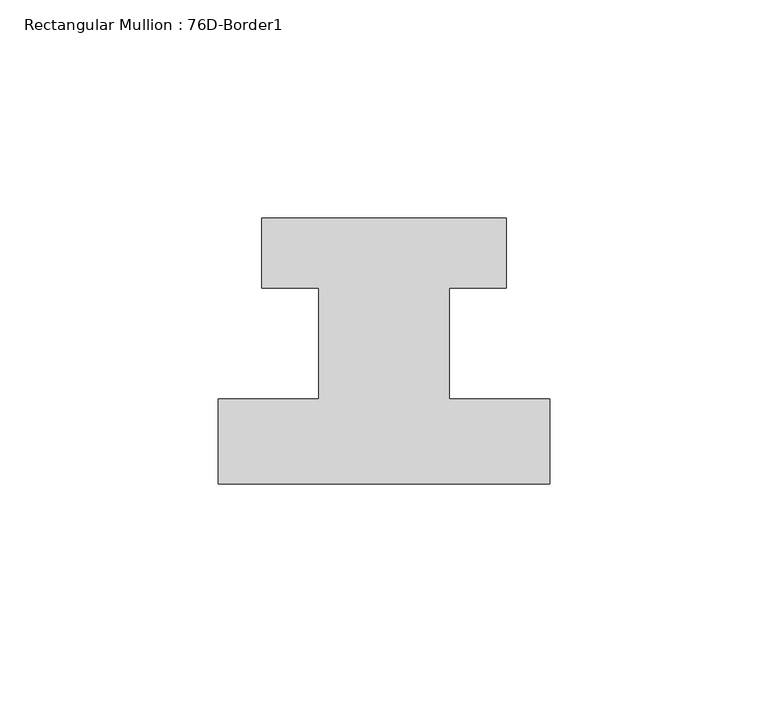
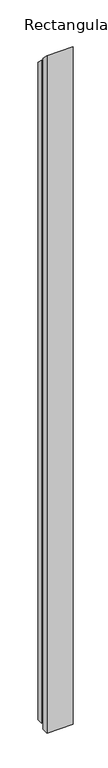
"""IFC4 building model written with IfcOpenShell, lengths in millimetres: member geometry, Rectangular Mullion : 76D-Border1."""

from ifc_helpers import new_model, si_unit, origin, place, context, project, spatial, faceted_brep, source, transform, mapped, element, save


def rectangular_mullion_76d_border1_745ee5e6(model_context):
    return source(origin(), model_context, "Body", "Brep", [
        faceted_brep([(-76.0, -20.0, -2062.0), (-76.0, -0.5, -2062.0), (-53.0, -0.5, -2062.0), (-53.0, 25.0, -2062.0), (-66.0, 25.0, -2062.0), (-66.0, 41.0, -2062.0), (-10.0, 41.0, -2062.0), (-10.0, 25.0, -2062.0), (-23.0, 25.0, -2062.0), (-23.0, -0.5, -2062.0), (0.0, -0.5, -2062.0), (0.0, -20.0, -2062.0), (0.0, -20.0, 20.0), (-76.0, -20.0, 20.0), (0.0, -0.5, 0.5), (-23.0, -0.5, 0.5), (-23.0, 25.0, -25.0), (-10.0, 25.0, -25.0), (-10.0, 41.0, -41.0), (-66.0, 41.0, -41.0), (-66.0, 25.0, -25.0), (-53.0, 25.0, -25.0), (-53.0, -0.5, 0.5), (-76.0, -0.5, 0.5)], [[[0, 1, 2, 3, 4, 5, 6, 7, 8, 9, 10, 11]], [[12, 13, 0, 11]], [[14, 12, 11, 10]], [[15, 14, 10, 9]], [[16, 15, 9, 8]], [[17, 16, 8, 7]], [[18, 17, 7, 6]], [[19, 18, 6, 5]], [[20, 19, 5, 4]], [[21, 20, 4, 3]], [[22, 21, 3, 2]], [[23, 22, 2, 1]], [[13, 23, 1, 0]], [[13, 12, 14, 15, 16, 17, 18, 19, 20, 21, 22, 23]]]),
    ])


if __name__ == "__main__":
    model = new_model("IFC4")
    model_context = context("Model", 3, world=origin())
    ifc_project = project(units=[si_unit("LENGTHUNIT", "METRE", prefix="MILLI")], contexts=[model_context])
    site = spatial("IfcSite", under=ifc_project)
    building = spatial("IfcBuilding", under=site)
    placement = place(None, origin())
    rectangular_mullion_76d_border1_shape = rectangular_mullion_76d_border1_745ee5e6(model_context)
    element("IfcMember", 1, ObjectType="Rectangular Mullion : 76D-Border1", at=placement, inside=building, context=model_context, shape_type="MappedRepresentation", body=[
        mapped(rectangular_mullion_76d_border1_shape, transform((0.0, 0.0, 0.0), x_axis=(1.0, 0.0, 0.0), y_axis=(0.0, 1.0, 0.0), z_axis=(0.0, 0.0, 1.0))),
    ])
    save(model, "model.ifc")
